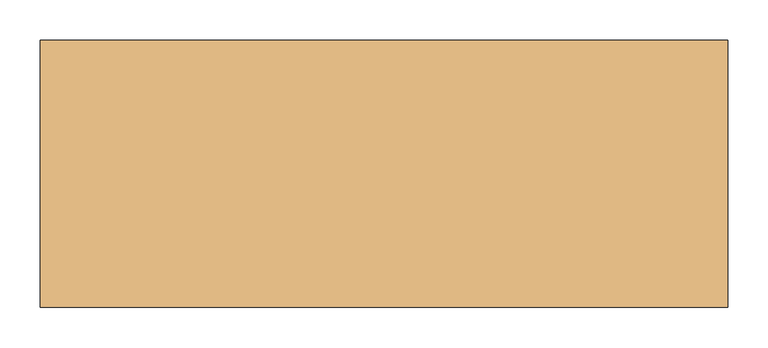
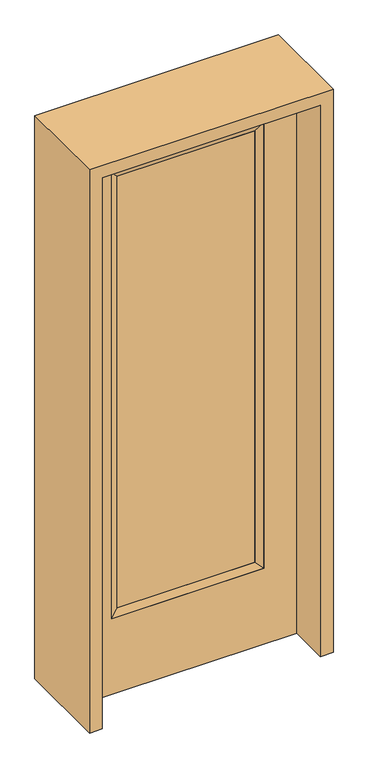
"""IFC4 building model written with IfcOpenShell, lengths in millimetres: door geometry."""

from ifc_helpers import new_model, si_unit, frame, origin, place, context, project, spatial, polyline, outline, extrude, faceted_brep, source, transform, mapped, element, save


def door_08ed66c3(model_context):
    return source(origin(), model_context, "Body", "SolidModel", [
        extrude(outline(polyline([(240.1824, -12.7039749), (-240.1824, -12.7039749), (-240.1824, 14.2875), (240.1824, 14.2875), (240.1824, -12.7039749)])), frame((0.0, 0.0, 304.8), z_axis=(0.0, 0.0, 1.0), x_axis=(1.0, 0.0, 0.0)), (0.0, 0.0, 1.0), 1591.1576),
        faceted_brep([(240.1824, 14.2875, 1895.9576), (265.5824, 22.225, 1921.3576), (265.5824, 22.225, 279.4), (240.1824, 14.2875, 304.8), (265.5824, -22.225, 1921.3576), (265.5824, -22.225, 279.4), (-265.5824, 22.225, 279.4), (-240.1824, 14.2875, 304.8), (240.1824, -12.7039749, 1895.9576), (240.1824, -12.7039749, 304.8), (-240.1824, -12.7039749, 304.8), (-265.5824, -22.225, 279.4), (-265.5824, 22.225, 1921.3576), (-240.1824, 14.2875, 1895.9576), (-240.1824, -12.7039749, 1895.9576), (-265.5824, -22.225, 1921.3576)], [[[0, 1, 2, 3]], [[1, 4, 5, 2]], [[3, 2, 6, 7]], [[8, 0, 3, 9]], [[9, 3, 7, 10]], [[4, 8, 9, 5]], [[5, 9, 10, 11]], [[2, 5, 11, 6]], [[7, 6, 12, 13]], [[10, 7, 13, 14]], [[11, 10, 14, 15]], [[6, 11, 15, 12]], [[13, 12, 1, 0]], [[14, 13, 0, 8]], [[15, 14, 8, 4]], [[12, 15, 4, 1]]]),
        extrude(outline(polyline([(0.0, -381.0), (0.0, 381.0), (2032.0, 381.0), (2032.0, -381.0), (0.0, -381.0)]), holes=[polyline([(279.4, -265.5824), (1921.3576, -265.5824), (1921.3576, 265.5824), (279.4, 265.5824), (279.4, -265.5824)])]), frame((0.0, -22.225, 0.0), z_axis=(0.0, 1.0, 0.0), x_axis=(0.0, 0.0, 1.0)), (0.0, 0.0, 1.0), 44.45),
        extrude(outline(polyline([(2076.45, -425.45), (0.0, -425.45), (0.0, -381.0), (2032.0, -381.0), (2032.0, 381.0), (0.0, 381.0), (0.0, 425.45), (2076.45, 425.45), (2076.45, -425.45)])), frame((0.0, -165.1, 0.0), z_axis=(0.0, 1.0, 0.0), x_axis=(0.0, 0.0, 1.0)), (0.0, 0.0, 1.0), 330.2),
    ])


if __name__ == "__main__":
    model = new_model("IFC4")
    model_context = context("Model", 3, world=origin())
    ifc_project = project(units=[si_unit("LENGTHUNIT", "METRE", prefix="MILLI")], contexts=[model_context])
    site = spatial("IfcSite", under=ifc_project)
    building = spatial("IfcBuilding", under=site)
    placement = place(None, origin())
    door_shape = door_08ed66c3(model_context)
    element("IfcDoor", 1, at=placement, inside=building, context=model_context, shape_type="MappedRepresentation", body=[
        mapped(door_shape, transform((0.0, 0.0, 0.0), x_axis=(1.0, 0.0, 0.0), y_axis=(0.0, 1.0, 0.0), z_axis=(0.0, 0.0, 1.0))),
    ])
    save(model, "model.ifc")
